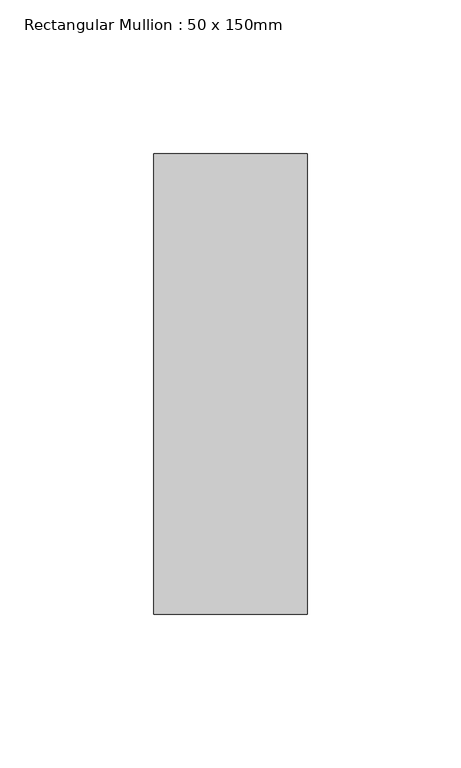
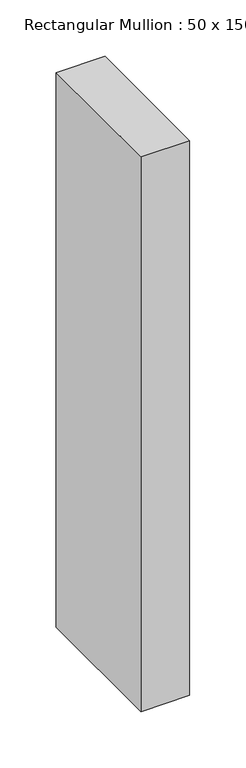
"""IFC4 building model written with IfcOpenShell, lengths in millimetres: member geometry, Rectangular Mullion : 50 x 150mm."""

import ifcopenshell
import ifcopenshell.guid

model = None  # the IFC model being written
_history = None  # IfcOwnerHistory: only IFC2X3 demands one
_inside = {}  # id of a spatial element -> (the spatial element, [elements in it])
_under = {}  # id of a project, library or spatial element -> (it, [spatial elements below it])
_declared = {}  # id of a project -> (the project, [libraries it declares])
_typed = {}  # id of a type object -> (the type object, [elements of that type])
_made_of = {}  # id of a material, layer set ... -> (it, [elements and type objects made of it])


def new_model(schema):
    """Start an empty IFC model of exactly this schema.

    Asked for "IFC4X3", IfcOpenShell would pick the latest addendum, in which some entities
    have other attributes; the version numbers below select the first issue.
    IFC2X3 requires an IfcOwnerHistory on every rooted entity: one is made here for all.
    """
    global model, _history
    if schema == "IFC4X3":
        model = ifcopenshell.file(schema_version=(4, 3, 0, 0))
    else:
        model = ifcopenshell.file(schema=schema)
    _inside.clear()
    _under.clear()
    _declared.clear()
    _typed.clear()
    _made_of.clear()
    _history = None
    if model.schema == "IFC2X3":
        org = make("IfcOrganization", Name="unknown")
        user = make(
            "IfcPersonAndOrganization",
            ThePerson=make("IfcPerson", FamilyName="unknown"),
            TheOrganization=org,
        )
        app = make(
            "IfcApplication",
            ApplicationDeveloper=org,
            Version="unknown",
            ApplicationFullName="unknown",
            ApplicationIdentifier="unknown",
        )
        _history = make(
            "IfcOwnerHistory",
            OwningUser=user,
            OwningApplication=app,
            ChangeAction="ADDED",
            CreationDate=0,
        )
    return model


def make(cls, **values):
    """One entity of the class cls with the attributes given. An attribute that is None is left unset."""
    return model.create_entity(
        cls, **{name: value for name, value in values.items() if value is not None}
    )


def rooted(cls, **values):
    """An entity with a GlobalId (a new one), such as an element, a storey or a relation."""
    return make(cls, GlobalId=ifcopenshell.guid.new(), OwnerHistory=_history, **values)


def si_unit(unit_type, name, prefix=None):
    """IfcSIUnit, for example si_unit("LENGTHUNIT", "METRE", prefix="MILLI")."""
    return make("IfcSIUnit", UnitType=unit_type, Prefix=prefix, Name=name)


def assignment(units):
    """IfcUnitAssignment: the units of a project."""
    return None if units is None else make("IfcUnitAssignment", Units=units)


def point(xyz):
    """IfcCartesianPoint."""
    return None if xyz is None else make("IfcCartesianPoint", Coordinates=xyz)


def direction(xyz):
    """IfcDirection."""
    return None if xyz is None else make("IfcDirection", DirectionRatios=xyz)


def frame(location, z_axis=None, x_axis=None):
    """IfcAxis2Placement3D, a coordinate frame: its origin and axes. An axis left out is left unset."""
    return make(
        "IfcAxis2Placement3D",
        Location=point(location),
        Axis=direction(z_axis),
        RefDirection=direction(x_axis),
    )


def origin():
    """The frame at (0, 0, 0) with its axes left unset."""
    return frame((0.0, 0.0, 0.0))


def place(relative_to, where):
    """IfcLocalPlacement: puts the frame where relative to a parent placement (None: the world)."""
    return make(
        "IfcLocalPlacement", PlacementRelTo=relative_to, RelativePlacement=where
    )


def context(
    kind, dimensions, precision=None, world=None, true_north=None, identifier=None
):
    """IfcGeometricRepresentationContext, for example the 3D "Model" context."""
    return make(
        "IfcGeometricRepresentationContext",
        ContextIdentifier=identifier,
        ContextType=kind,
        CoordinateSpaceDimension=dimensions,
        Precision=precision,
        WorldCoordinateSystem=world,
        TrueNorth=true_north,
    )


def project(units=None, contexts=None):
    """IfcProject with its units and contexts."""
    return rooted(
        "IfcProject",
        Name="project",
        RepresentationContexts=contexts,
        UnitsInContext=assignment(units),
    )


def spatial(cls, under=None, at=None, **own):
    """A site, building, storey or space (cls), placed at a placement, below another one or the project."""
    s = rooted(cls, ObjectPlacement=at, **own)
    if under is not None:
        _under.setdefault(under.id(), (under, []))[1].append(s)
    return s


def polyline(points):
    """IfcPolyline through the points."""
    return make("IfcPolyline", Points=[point(p) for p in points])


def outline(outer, holes=None, kind="AREA"):
    """IfcArbitraryClosedProfileDef: a profile drawn as a closed curve; with holes, ...WithVoids."""
    if holes is None:
        return make("IfcArbitraryClosedProfileDef", ProfileType=kind, OuterCurve=outer)
    return make(
        "IfcArbitraryProfileDefWithVoids",
        ProfileType=kind,
        OuterCurve=outer,
        InnerCurves=holes,
    )


def extrude(swept, where, along, depth):
    """IfcExtrudedAreaSolid: the profile swept, set in the frame where, extruded along a direction by depth."""
    return make(
        "IfcExtrudedAreaSolid",
        SweptArea=swept,
        Position=where,
        ExtrudedDirection=direction(along),
        Depth=depth,
    )


def shape(context_of_items, identifier, shape_type, items):
    """IfcShapeRepresentation: the items that make up one representation, for example the "Body"."""
    return make(
        "IfcShapeRepresentation",
        ContextOfItems=context_of_items,
        RepresentationIdentifier=identifier,
        RepresentationType=shape_type,
        Items=items,
    )


def source(mapping_origin, context_of_items, identifier, shape_type, items):
    """IfcRepresentationMap: a shape defined once, which mapped items show again and again."""
    return make(
        "IfcRepresentationMap",
        MappingOrigin=mapping_origin,
        MappedRepresentation=shape(context_of_items, identifier, shape_type, items),
    )


def transform(
    local_origin,
    x_axis=None,
    y_axis=None,
    z_axis=None,
    scale=None,
    scale2=None,
    scale3=None,
    uniform=True,
):
    """IfcCartesianTransformationOperator3D, or its non-uniform kind. x_axis, y_axis, z_axis: its Axis1, 2, 3."""
    if uniform:
        return make(
            "IfcCartesianTransformationOperator3D",
            Axis1=direction(x_axis),
            Axis2=direction(y_axis),
            LocalOrigin=point(local_origin),
            Scale=scale,
            Axis3=direction(z_axis),
        )
    return make(
        "IfcCartesianTransformationOperator3DnonUniform",
        Axis1=direction(x_axis),
        Axis2=direction(y_axis),
        LocalOrigin=point(local_origin),
        Scale=scale,
        Axis3=direction(z_axis),
        Scale2=scale2,
        Scale3=scale3,
    )


def mapped(mapping_source, mapping_target):
    """IfcMappedItem: shows the shape of a source again, moved by a transform."""
    return make(
        "IfcMappedItem", MappingSource=mapping_source, MappingTarget=mapping_target
    )


def made_of(thing, what):
    """Note that an element or type object is made of a material, layer set ...; save() writes the relation."""
    if what is not None:
        _made_of.setdefault(what.id(), (what, []))[1].append(thing)
    return thing


def element(
    cls,
    number,
    at=None,
    inside=None,
    cuts=None,
    type_object=None,
    material=None,
    context=None,
    identifier="Body",
    shape_type=None,
    held_by="IfcProductDefinitionShape",
    body=None,
    shapes=None,
    **own,
):
    """One element of the class cls, such as IfcWall. Its Tag is "e" and its number.

    at: its placement. inside: the storey or other place that contains it. cuts: it is an
    opening in that element (IfcRelVoidsElement). A single representation is given by context,
    identifier, shape_type and body (its items); several are given by shapes. held_by: the class
    of the entity that holds the representations. save() writes the other relations.
    """
    e = rooted(cls, Tag="e%d" % number, ObjectPlacement=at, **own)
    if body is not None:
        shapes = [shape(context, identifier, shape_type, body)]
    if shapes is not None:
        e.Representation = make(held_by, Representations=shapes)
    if inside is not None:
        _inside.setdefault(inside.id(), (inside, []))[1].append(e)
    if cuts is not None:
        rooted(
            "IfcRelVoidsElement", RelatingBuildingElement=cuts, RelatedOpeningElement=e
        )
    if type_object is not None:
        _typed.setdefault(type_object.id(), (type_object, []))[1].append(e)
    return made_of(e, material)


def aggregate(whole, parts):
    """IfcRelAggregates: a whole, such as a stair, and the parts it consists of."""
    return rooted("IfcRelAggregates", RelatingObject=whole, RelatedObjects=parts)


def save(model, path):
    """Write the relations noted so far, then the file.

    IfcRelAggregates (storeys below a building ...), IfcRelContainedInSpatialStructure (elements
    in a storey), IfcRelDefinesByType, IfcRelAssociatesMaterial and IfcRelDeclares: one each for
    every whole, place, type object, material and project.
    """
    for whole, parts in _under.values():
        aggregate(whole, parts)
    for where, things in _inside.values():
        rooted(
            "IfcRelContainedInSpatialStructure",
            RelatedElements=things,
            RelatingStructure=where,
        )
    for kind, things in _typed.values():
        rooted("IfcRelDefinesByType", RelatedObjects=things, RelatingType=kind)
    for what, things in _made_of.values():
        rooted("IfcRelAssociatesMaterial", RelatedObjects=things, RelatingMaterial=what)
    for by, libraries in _declared.values():
        rooted("IfcRelDeclares", RelatingContext=by, RelatedDefinitions=libraries)
    model.write(path)


def rectangular_mullion_50_x_150mm_64d38db8(model_context):
    return source(origin(), model_context, "Body", "SweptSolid", [
        extrude(outline(polyline([(0.0, 75.0), (0.0, -75.0), (-50.0, -75.0), (-50.0, 75.0), (0.0, 75.0)])), frame((0.0, 0.0, -600.0), z_axis=(0.0, 0.0, 1.0), x_axis=(1.0, 0.0, 0.0)), (0.0, 0.0, 1.0), 600.0),
    ])


if __name__ == "__main__":
    model = new_model("IFC4")
    model_context = context("Model", 3, world=origin())
    ifc_project = project(units=[si_unit("LENGTHUNIT", "METRE", prefix="MILLI")], contexts=[model_context])
    site = spatial("IfcSite", under=ifc_project)
    building = spatial("IfcBuilding", under=site)
    placement = place(None, origin())
    rectangular_mullion_50_x_150mm_shape = rectangular_mullion_50_x_150mm_64d38db8(model_context)
    element("IfcMember", 1, ObjectType="Rectangular Mullion : 50 x 150mm", at=placement, inside=building, context=model_context, shape_type="MappedRepresentation", body=[
        mapped(rectangular_mullion_50_x_150mm_shape, transform((0.0, 0.0, 0.0), x_axis=(1.0, 0.0, 0.0), y_axis=(0.0, 1.0, 0.0), z_axis=(0.0, 0.0, 1.0))),
    ])
    save(model, "model.ifc")
